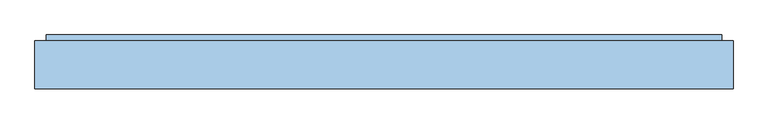
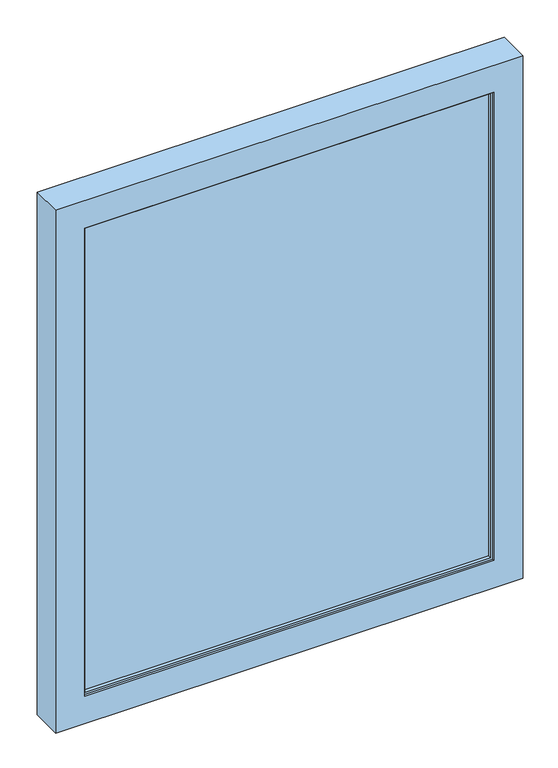
"""IFC4 building model written with IfcOpenShell, lengths in millimetres: window geometry."""

from ifc_helpers import new_model, si_unit, frame, origin, place, context, project, spatial, polyline, outline, extrude, faceted_brep, source, transform, mapped, element, save


def window_99d3a2ef(model_context):
    return source(origin(), model_context, "Body", "SolidModel", [
        extrude(outline(polyline([(477.0, 20.7), (477.0, -28.3), (-477.0, -28.3), (-477.0, 20.7), (477.0, 20.7)])), frame((0.0, 0.0, 973.0), z_axis=(0.0, 0.0, 1.0), x_axis=(1.0, 0.0, 0.0)), (0.0, 0.0, 1.0), 1154.0),
        faceted_brep([(531.9961137, 32.7, 2181.9961137), (531.9961137, 32.7, 918.0038863), (531.9961137, 42.2, 918.0038863), (531.9961137, 42.2, 2181.9961137), (-531.9961137, 42.2, 918.0038863), (-531.9961137, 42.2, 2181.9961137), (471.9961137, 42.2, 978.0038863), (471.9961137, 42.2, 2121.9961137), (-471.9961137, 42.2, 2121.9961137), (-471.9961137, 42.2, 978.0038863), (-531.9961137, 32.7, 918.0038863), (-531.9961137, 32.7, 2181.9961137), (501.9961137, 32.7, 2151.9961137), (501.9961137, 32.7, 948.0038863), (-501.9961137, 32.7, 948.0038863), (-501.9961137, 32.7, 2151.9961137), (501.9961137, -36.8, 2151.9961137), (501.9961137, -36.8, 948.0038863), (-501.9961137, -36.8, 948.0038863), (-501.9961137, -36.8, 2151.9961137), (477.0, -36.8, 2127.0), (477.0, -36.8, 973.0), (-477.0, -36.8, 973.0), (-477.0, -36.8, 2127.0), (471.9961137, 23.7, 978.0038863), (471.9961137, 23.7, 2121.9961137), (477.0, 23.7, 973.0), (477.0, 23.7, 2127.0), (-477.0, 23.7, 2127.0), (-477.0, 23.7, 973.0), (-471.9961137, 23.7, 978.0038863), (-471.9961137, 23.7, 2121.9961137)], [[[0, 1, 2, 3]], [[3, 2, 4, 5], [6, 7, 8, 9]], [[1, 10, 4, 2]], [[1, 0, 11, 10], [12, 13, 14, 15]], [[16, 17, 13, 12]], [[17, 18, 14, 13]], [[17, 16, 19, 18], [20, 21, 22, 23]], [[7, 6, 24, 25]], [[26, 27, 28, 29], [25, 24, 30, 31]], [[6, 9, 30, 24]], [[10, 11, 5, 4]], [[18, 19, 15, 14]], [[9, 8, 31, 30]], [[29, 28, 23, 22]], [[26, 29, 22, 21]], [[27, 26, 21, 20]], [[11, 0, 3, 5]], [[19, 16, 12, 15]], [[8, 7, 25, 31]], [[28, 27, 20, 23]]]),
        faceted_brep([(482.0, -37.3, 2132.0), (482.0, -37.3, 968.0), (482.0, -42.3, 968.0), (482.0, -42.3, 2132.0), (550.0, -42.3, 900.0), (550.0, -42.3, 2200.0), (-550.0, -42.3, 2200.0), (-550.0, -42.3, 900.0), (-482.0, -42.3, 968.0), (-482.0, -42.3, 2132.0), (-482.0, -37.3, 968.0), (526.0, -37.3, 2176.0), (526.0, -37.3, 924.0), (-526.0, -37.3, 924.0), (-526.0, -37.3, 2176.0), (-482.0, -37.3, 2132.0), (526.0, 32.7, 2176.0), (526.0, 32.7, 924.0), (-526.0, 32.7, 924.0), (550.0, 32.7, 2200.0), (550.0, 32.7, 900.0), (-550.0, 32.7, 900.0), (-550.0, 32.7, 2200.0), (-526.0, 32.7, 2176.0)], [[[0, 1, 2, 3]], [[4, 5, 6, 7], [3, 2, 8, 9]], [[1, 10, 8, 2]], [[11, 12, 13, 14], [1, 0, 15, 10]], [[16, 17, 12, 11]], [[17, 18, 13, 12]], [[19, 20, 21, 22], [17, 16, 23, 18]], [[5, 4, 20, 19]], [[4, 7, 21, 20]], [[10, 15, 9, 8]], [[18, 23, 14, 13]], [[7, 6, 22, 21]], [[15, 0, 3, 9]], [[23, 16, 11, 14]], [[6, 5, 19, 22]]]),
    ])


if __name__ == "__main__":
    model = new_model("IFC4")
    model_context = context("Model", 3, world=origin())
    ifc_project = project(units=[si_unit("LENGTHUNIT", "METRE", prefix="MILLI")], contexts=[model_context])
    site = spatial("IfcSite", under=ifc_project)
    building = spatial("IfcBuilding", under=site)
    placement = place(None, origin())
    window_shape = window_99d3a2ef(model_context)
    element("IfcWindow", 1, at=placement, inside=building, context=model_context, shape_type="MappedRepresentation", body=[
        mapped(window_shape, transform((0.0, 0.0, 0.0), x_axis=(1.0, 0.0, 0.0), y_axis=(0.0, 1.0, 0.0), z_axis=(0.0, 0.0, 1.0))),
    ])
    save(model, "model.ifc")
